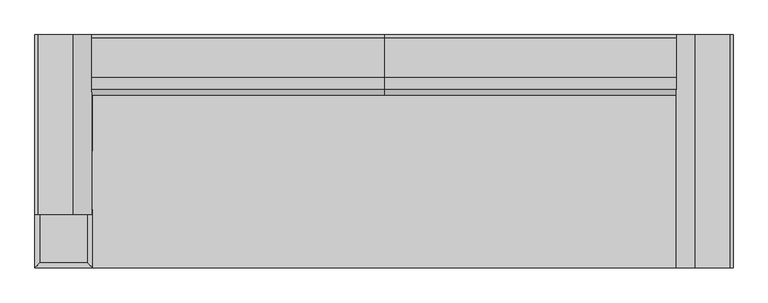
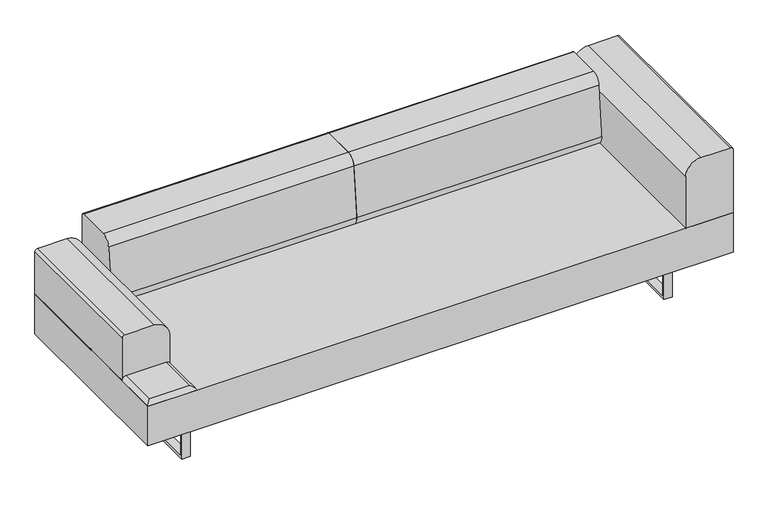
"""IFC4 building model written with IfcOpenShell, lengths in millimetres: furniture geometry."""

from ifc_helpers import new_model, si_unit, point, frame, frame_2d, origin, place, context, project, spatial, polyline, circle_curve, ellipse_curve, trimmed, segment, composite_curve, outline, extrude, source, transform, mapped, element, save
from ifc_brep_helpers import plane_surface, cylinder_surface, advanced_brep


def furniture_e6a042fa(model_context):
    return source(origin(), model_context, "Body", "SolidModel", [
        advanced_brep(
        [(-1128.5755122, 17.9605122, 411.6605122), (-1128.5755122, 204.2894878, 411.6605122), (-1312.3644878, 204.2894878, 411.6605122), (-1312.3644878, 17.9605122, 411.6605122), (-1110.615, 222.25, 393.7), (-1110.615, 0.0, 393.7), (-1330.325, 0.0, 393.7), (-1330.325, 222.25, 393.7)],
        [
            (0, 1),
            (1, 2),
            (2, 3),
            (3, 0),
            (4, 5),
            (5, 6),
            (6, 7),
            (7, 4),
            (4, 1, ellipse_curve(frame((-1128.5755122, 204.2894878, 393.7), z_axis=(0.7071067811865475, -0.7071067811865475, 0.0), x_axis=(0.7071067811865474, 0.7071067811865476, 0.0)), 25.4, 17.9605122)),
            (0, 5, ellipse_curve(frame((-1128.5755122, 17.9605122, 393.7), z_axis=(0.7071067811865475, 0.7071067811865475, 0.0), x_axis=(-0.7071067811865474, 0.7071067811865476, 0.0)), 25.4, 17.9605122)),
            (3, 6, ellipse_curve(frame((-1312.3644878, 17.9605122, 393.7), z_axis=(0.7071067811865475, -0.7071067811865475, 0.0), x_axis=(0.7071067811865476, 0.7071067811865474, 0.0)), 25.4, 17.9605122)),
            (2, 7, ellipse_curve(frame((-1312.3644878, 204.2894878, 393.7), z_axis=(-0.7071067811865475, -0.7071067811865475, 0.0), x_axis=(0.7071067811865474, -0.7071067811865476, 0.0)), 25.4, 17.9605122)),
        ],
        [
            plane_surface(frame((-1312.3644878, 204.2894878, 411.6605122), z_axis=(0.0, 0.0, 1.0), x_axis=(-1.0, 0.0, 0.0))),
            plane_surface(frame((-1312.3644878, 204.2894878, 393.7), z_axis=(0.0, 0.0, -1.0), x_axis=(1.0, 0.0, 0.0))),
            cylinder_surface(frame((-1128.5755122, 222.25, 393.7), z_axis=(0.0, 1.0, 0.0), x_axis=(1.0, 0.0, 0.0)), 17.9605122),
            cylinder_surface(frame((-1110.615, 17.9605122, 393.7), z_axis=(1.0, 0.0, 0.0), x_axis=(0.0, -1.0, 0.0)), 17.9605122),
            cylinder_surface(frame((-1312.3644878, 0.0, 393.7), z_axis=(0.0, -1.0, 0.0), x_axis=(-1.0, 0.0, 0.0)), 17.9605122),
            cylinder_surface(frame((-1330.325, 204.2894878, 393.7), z_axis=(-1.0, 0.0, 0.0), x_axis=(0.0, 1.0, 0.0)), 17.9605122),
        ],
        [
            (0, [[1, 2, 3, 4]]),
            (1, [[5, 6, 7, 8]]),
            (2, [[9, -1, 10, -5]]),
            (3, [[-10, -4, 11, -6]]),
            (4, [[-11, -3, 12, -7]]),
            (5, [[-9, -8, -12, -2]]),
        ],
    ),
        advanced_brep(
        [(-1128.5755122, 240.2105122, 411.6605122), (-1128.5755122, 426.5394878, 411.6605122), (-1312.3644878, 426.5394878, 411.6605122), (-1312.3644878, 240.2105122, 411.6605122), (-1110.615, 444.5, 393.7), (-1110.615, 222.25, 393.7), (-1330.325, 222.25, 393.7), (-1330.325, 444.5, 393.7)],
        [
            (0, 1),
            (1, 2),
            (2, 3),
            (3, 0),
            (4, 5),
            (5, 6),
            (6, 7),
            (7, 4),
            (4, 1, ellipse_curve(frame((-1128.5755122, 426.5394878, 393.7), z_axis=(0.7071067811865475, -0.7071067811865475, 0.0), x_axis=(0.7071067811865474, 0.7071067811865476, 0.0)), 25.4, 17.9605122)),
            (0, 5, ellipse_curve(frame((-1128.5755122, 240.2105122, 393.7), z_axis=(0.7071067811865475, 0.7071067811865475, 0.0), x_axis=(-0.7071067811865474, 0.7071067811865476, 0.0)), 25.4, 17.9605122)),
            (3, 6, ellipse_curve(frame((-1312.3644878, 240.2105122, 393.7), z_axis=(0.7071067811865475, -0.7071067811865475, 0.0), x_axis=(0.7071067811865476, 0.7071067811865474, 0.0)), 25.4, 17.9605122)),
            (2, 7, ellipse_curve(frame((-1312.3644878, 426.5394878, 393.7), z_axis=(-0.7071067811865475, -0.7071067811865475, 0.0), x_axis=(0.7071067811865474, -0.7071067811865476, 0.0)), 25.4, 17.9605122)),
        ],
        [
            plane_surface(frame((-1312.3644878, 426.5394878, 411.6605122), z_axis=(0.0, 0.0, 1.0), x_axis=(-1.0, 0.0, 0.0))),
            plane_surface(frame((-1312.3644878, 426.5394878, 393.7), z_axis=(0.0, 0.0, -1.0), x_axis=(1.0, 0.0, 0.0))),
            cylinder_surface(frame((-1128.5755122, 444.5, 393.7), z_axis=(0.0, 1.0, 0.0), x_axis=(1.0, 0.0, 0.0)), 17.9605122),
            cylinder_surface(frame((-1110.615, 240.2105122, 393.7), z_axis=(1.0, 0.0, 0.0), x_axis=(0.0, -1.0, 0.0)), 17.9605122),
            cylinder_surface(frame((-1312.3644878, 222.25, 393.7), z_axis=(0.0, -1.0, 0.0), x_axis=(-1.0, 0.0, 0.0)), 17.9605122),
            cylinder_surface(frame((-1330.325, 426.5394878, 393.7), z_axis=(-1.0, 0.0, 0.0), x_axis=(0.0, 1.0, 0.0)), 17.9605122),
        ],
        [
            (0, [[1, 2, 3, 4]]),
            (1, [[5, 6, 7, 8]]),
            (2, [[9, -1, 10, -5]]),
            (3, [[-10, -4, 11, -6]]),
            (4, [[-11, -3, 12, -7]]),
            (5, [[-9, -8, -12, -2]]),
        ],
    ),
        advanced_brep(
        [(-1110.615, -222.25, 393.7), (-1128.5755122, -240.2105122, 411.6605122), (-1128.5755122, -426.5394878, 411.6605122), (-1110.615, -444.5, 393.7), (-1312.3644878, -426.5394878, 411.6605122), (-1330.325, -444.5, 393.7), (-1312.3644878, -240.2105122, 411.6605122), (-1330.325, -222.25, 393.7)],
        [
            (0, 1, ellipse_curve(frame((-1128.5755122, -240.2105122, 393.7), z_axis=(0.7071067811865475, -0.7071067811865475, 0.0), x_axis=(0.7071067811865474, 0.7071067811865476, 0.0)), 25.4, 17.9605122)),
            (1, 2),
            (2, 3, ellipse_curve(frame((-1128.5755122, -426.5394878, 393.7), z_axis=(0.7071067811865475, 0.7071067811865475, 0.0), x_axis=(-0.7071067811865474, 0.7071067811865476, 0.0)), 25.4, 17.9605122)),
            (3, 0),
            (2, 4),
            (4, 5, ellipse_curve(frame((-1312.3644878, -426.5394878, 393.7), z_axis=(0.7071067811865475, -0.7071067811865475, 0.0), x_axis=(0.7071067811865476, 0.7071067811865474, 0.0)), 25.4, 17.9605122)),
            (5, 3),
            (4, 6),
            (6, 7, ellipse_curve(frame((-1312.3644878, -240.2105122, 393.7), z_axis=(-0.7071067811865475, -0.7071067811865475, 0.0), x_axis=(0.7071067811865474, -0.7071067811865476, 0.0)), 25.4, 17.9605122)),
            (7, 5),
            (0, 7),
            (6, 1),
        ],
        [
            cylinder_surface(frame((-1128.5755122, -222.25, 393.7), z_axis=(0.0, 1.0, 0.0), x_axis=(1.0, 0.0, 0.0)), 17.9605122),
            cylinder_surface(frame((-1110.615, -426.5394878, 393.7), z_axis=(1.0, 0.0, 0.0), x_axis=(0.0, -1.0, 0.0)), 17.9605122),
            cylinder_surface(frame((-1312.3644878, -444.5, 393.7), z_axis=(0.0, -1.0, 0.0), x_axis=(-1.0, 0.0, 0.0)), 17.9605122),
            cylinder_surface(frame((-1330.325, -240.2105122, 393.7), z_axis=(-1.0, 0.0, 0.0), x_axis=(0.0, 1.0, 0.0)), 17.9605122),
            plane_surface(frame((-1330.325, -222.25, 393.7), z_axis=(0.0, 0.0, -1.0), x_axis=(1.0, 0.0, 0.0))),
            plane_surface(frame((-1312.3644878, -240.2105122, 411.6605122), z_axis=(0.0, 0.0, 1.0), x_axis=(-1.0, 0.0, 0.0))),
        ],
        [
            (0, [[1, 2, 3, 4]]),
            (1, [[-3, 5, 6, 7]]),
            (2, [[-6, 8, 9, 10]]),
            (3, [[-1, 11, -9, 12]]),
            (4, [[-4, -7, -10, -11]]),
            (5, [[-2, -12, -8, -5]]),
        ],
    ),
        extrude(outline(polyline([(-339.4724839, 0.0), (-339.4724839, 203.2), (341.6588694, 203.2), (341.6588694, 0.0), (-339.4724839, 0.0)]), holes=[polyline([(-326.7724839, 190.5), (-326.7724839, 12.7), (328.9588694, 12.7), (328.9588694, 190.5), (-326.7724839, 190.5)])]), frame((-1114.425, 0.0, 0.0), z_axis=(1.0, 0.0, 0.0), x_axis=(0.0, 1.0, 0.0)), (0.0, 0.0, 1.0), 38.0999535),
        extrude(outline(polyline([(-339.4724839, 203.2), (341.6588694, 203.2), (341.6588694, 0.0), (-339.4724839, 0.0), (-339.4724839, 203.2)]), holes=[polyline([(-326.7724839, 12.7), (328.9588694, 12.7), (328.9588694, 190.5), (-326.7724839, 190.5), (-326.7724839, 12.7)])]), frame((1076.3250465, 0.0, 0.0), z_axis=(1.0, 0.0, 0.0), x_axis=(0.0, 1.0, 0.0)), (0.0, 0.0, 1.0), 38.0999535),
        extrude(outline(polyline([(1330.325, 444.5), (1330.325, -444.5), (-1330.325, -444.5), (-1330.325, 444.5), (1330.325, 444.5)])), frame((0.0, 0.0, 203.2), z_axis=(0.0, 0.0, 1.0), x_axis=(1.0, 0.0, 0.0)), (0.0, 0.0, 1.0), 190.5),
        extrude(outline(composite_curve([segment(trimmed(circle_curve(frame_2d((696.9125, 1317.625)), 12.7), [point((696.9125, 1330.325))], [point((709.6125, 1317.625))], False, "CARTESIAN"), True, "CONTINUOUS"), segment(polyline([(709.6125, 1317.625), (709.6125, 1184.2752345)]), True, "CONTINUOUS"), segment(trimmed(circle_curve(frame_2d((639.7622655, 1184.2752345)), 69.8502345), [point((709.6125, 1184.2752345))], [point((639.7622655, 1114.425))], False, "CARTESIAN"), True, "CONTINUOUS"), segment(polyline([(639.7622655, 1114.425), (393.7, 1114.425), (393.7, 1330.325), (696.9125, 1330.325)]), True, "CONTINUOUS")], self_intersect=False)), frame((0.0, -444.5, 0.0), z_axis=(0.0, 1.0, 0.0), x_axis=(0.0, 0.0, 1.0)), (0.0, 0.0, 1.0), 889.0),
        extrude(outline(composite_curve([segment(polyline([(444.5, 393.7), (232.6067514, 393.7)]), True, "CONTINUOUS"), segment(trimmed(circle_curve(frame_2d((263.4189927, 430.9463408)), 48.3392606), [point((232.6067514, 393.7))], [point((215.3053904, 435.6116811))], False, "CARTESIAN"), True, "CONTINUOUS"), segment(polyline([(215.3053904, 435.6116811), (237.9512344, 669.1580194)]), True, "CONTINUOUS"), segment(trimmed(circle_curve(frame_2d((282.1937319, 664.8680412)), 44.45), [point((237.9512344, 669.1580194))], [point((282.1937319, 709.3180412))], False, "CARTESIAN"), True, "CONTINUOUS"), segment(polyline([(282.1937319, 709.3180412), (434.544558, 709.3180412)]), True, "CONTINUOUS"), segment(trimmed(circle_curve(frame_2d((434.544558, 699.3625993)), 9.955442), [point((434.544558, 709.3180412))], [point((444.5, 699.3625993))], False, "CARTESIAN"), True, "CONTINUOUS"), segment(polyline([(444.5, 699.3625993), (444.5, 393.7)]), True, "CONTINUOUS")], self_intersect=False)), frame((-1114.425, 0.0, 0.0), z_axis=(1.0, 0.0, 0.0), x_axis=(0.0, 1.0, 0.0)), (0.0, 0.0, 1.0), 1114.425),
        extrude(outline(composite_curve([segment(polyline([(596.9, -1330.325), (393.7, -1330.325), (393.7, -1114.425), (539.7497655, -1114.425)]), True, "CONTINUOUS"), segment(trimmed(circle_curve(frame_2d((539.7497655, -1184.2752345)), 69.8502345), [point((539.7497655, -1114.425))], [point((609.6, -1184.2752345))], False, "CARTESIAN"), True, "CONTINUOUS"), segment(polyline([(609.6, -1184.2752345), (609.6, -1317.625)]), True, "CONTINUOUS"), segment(trimmed(circle_curve(frame_2d((596.9, -1317.625)), 12.7), [point((609.6, -1317.625))], [point((596.9, -1330.325))], False, "CARTESIAN"), True, "CONTINUOUS")], self_intersect=False)), frame((0.0, -241.3, 0.0), z_axis=(0.0, 1.0, 0.0), x_axis=(0.0, 0.0, 1.0)), (0.0, 0.0, 1.0), 685.8),
        extrude(outline(composite_curve([segment(polyline([(444.5, 393.7), (232.6067514, 393.7)]), True, "CONTINUOUS"), segment(trimmed(circle_curve(frame_2d((263.4189927, 430.9463408)), 48.3392606), [point((232.6067514, 393.7))], [point((215.3053904, 435.6116811))], False, "CARTESIAN"), True, "CONTINUOUS"), segment(polyline([(215.3053904, 435.6116811), (237.9512344, 669.1580194)]), True, "CONTINUOUS"), segment(trimmed(circle_curve(frame_2d((282.1937319, 664.8680412)), 44.45), [point((237.9512344, 669.1580194))], [point((282.1937319, 709.3180412))], False, "CARTESIAN"), True, "CONTINUOUS"), segment(polyline([(282.1937319, 709.3180412), (434.544558, 709.3180412)]), True, "CONTINUOUS"), segment(trimmed(circle_curve(frame_2d((434.544558, 699.3625993)), 9.955442), [point((434.544558, 709.3180412))], [point((444.5, 699.3625993))], False, "CARTESIAN"), True, "CONTINUOUS"), segment(polyline([(444.5, 699.3625993), (444.5, 393.7)]), True, "CONTINUOUS")], self_intersect=False)), frame((0.0, 0.0, 0.0), z_axis=(1.0, 0.0, 0.0), x_axis=(0.0, 1.0, 0.0)), (0.0, 0.0, 1.0), 1114.425),
    ])


if __name__ == "__main__":
    model = new_model("IFC4")
    model_context = context("Model", 3, world=origin())
    ifc_project = project(units=[si_unit("LENGTHUNIT", "METRE", prefix="MILLI")], contexts=[model_context])
    site = spatial("IfcSite", under=ifc_project)
    building = spatial("IfcBuilding", under=site)
    placement = place(None, origin())
    furniture_shape = furniture_e6a042fa(model_context)
    element("IfcFurniture", 1, at=placement, inside=building, context=model_context, shape_type="MappedRepresentation", body=[
        mapped(furniture_shape, transform((0.0, 0.0, 0.0), x_axis=(1.0, 0.0, 0.0), y_axis=(0.0, 1.0, 0.0), z_axis=(0.0, 0.0, 1.0))),
    ])
    save(model, "model.ifc")
